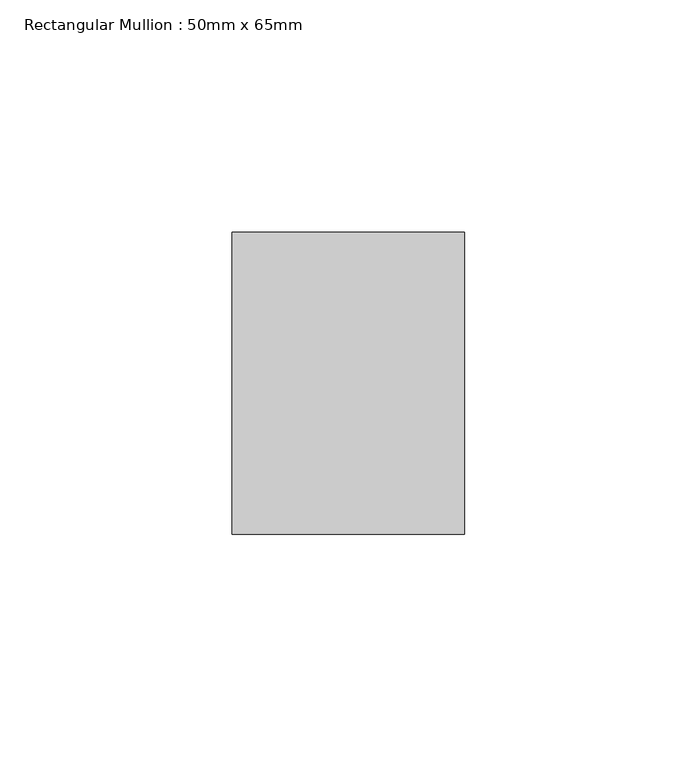
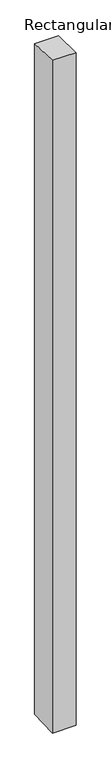
"""IFC4 building model written with IfcOpenShell, lengths in millimetres: member geometry, Rectangular Mullion : 50mm x 65mm."""

from ifc_helpers import new_model, si_unit, origin, place, context, project, spatial, faceted_brep, source, transform, mapped, element, save


def rectangular_mullion_50mm_x_65mm_c55b0ed4(model_context):
    return source(origin(), model_context, "Body", "Brep", [
        faceted_brep([(-25.0, 32.5, -0.8979631), (25.0, 32.5, -0.8979651), (25.0, 32.5, -1498.8575908), (-25.0, 32.5, -1498.8575934), (-25.0, -32.5, 0.8979651), (-25.0, -32.5, -1501.1414952), (25.0, -32.5, 0.8979631), (25.0, -32.5, -1501.1414927)], [[[0, 1, 2, 3]], [[4, 0, 3, 5]], [[6, 4, 5, 7]], [[1, 6, 7, 2]], [[1, 0, 4, 6]], [[2, 7, 5, 3]]]),
    ])


if __name__ == "__main__":
    model = new_model("IFC4")
    model_context = context("Model", 3, world=origin())
    ifc_project = project(units=[si_unit("LENGTHUNIT", "METRE", prefix="MILLI")], contexts=[model_context])
    site = spatial("IfcSite", under=ifc_project)
    building = spatial("IfcBuilding", under=site)
    placement = place(None, origin())
    rectangular_mullion_50mm_x_65mm_shape = rectangular_mullion_50mm_x_65mm_c55b0ed4(model_context)
    element("IfcMember", 1, ObjectType="Rectangular Mullion : 50mm x 65mm", at=placement, inside=building, context=model_context, shape_type="MappedRepresentation", body=[
        mapped(rectangular_mullion_50mm_x_65mm_shape, transform((0.0, 0.0, 0.0), x_axis=(1.0, 0.0, 0.0), y_axis=(0.0, 1.0, 0.0), z_axis=(0.0, 0.0, 1.0))),
    ])
    save(model, "model.ifc")
